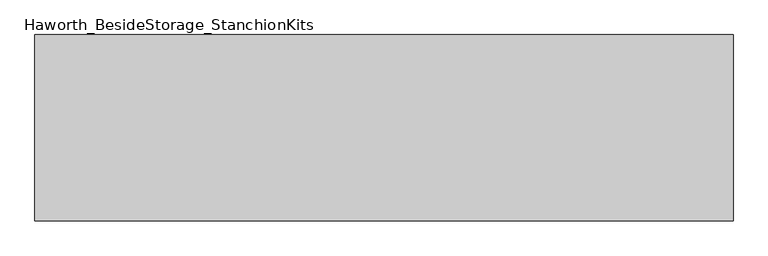
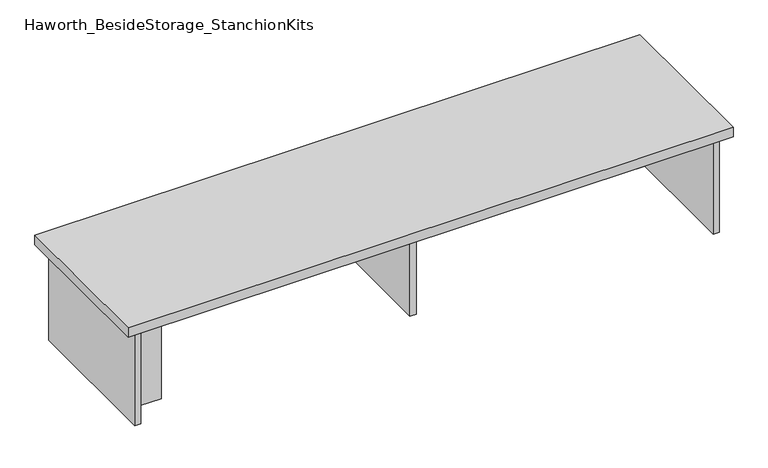
"""IFC4 building model written with IfcOpenShell, lengths in millimetres: furniture geometry, Haworth_BesideStorage_StanchionKits."""

import ifcopenshell
import ifcopenshell.guid

model = None  # the IFC model being written
_history = None  # IfcOwnerHistory: only IFC2X3 demands one
_inside = {}  # id of a spatial element -> (the spatial element, [elements in it])
_under = {}  # id of a project, library or spatial element -> (it, [spatial elements below it])
_declared = {}  # id of a project -> (the project, [libraries it declares])
_typed = {}  # id of a type object -> (the type object, [elements of that type])
_made_of = {}  # id of a material, layer set ... -> (it, [elements and type objects made of it])


def new_model(schema):
    """Start an empty IFC model of exactly this schema.

    Asked for "IFC4X3", IfcOpenShell would pick the latest addendum, in which some entities
    have other attributes; the version numbers below select the first issue.
    IFC2X3 requires an IfcOwnerHistory on every rooted entity: one is made here for all.
    """
    global model, _history
    if schema == "IFC4X3":
        model = ifcopenshell.file(schema_version=(4, 3, 0, 0))
    else:
        model = ifcopenshell.file(schema=schema)
    _inside.clear()
    _under.clear()
    _declared.clear()
    _typed.clear()
    _made_of.clear()
    _history = None
    if model.schema == "IFC2X3":
        org = make("IfcOrganization", Name="unknown")
        user = make(
            "IfcPersonAndOrganization",
            ThePerson=make("IfcPerson", FamilyName="unknown"),
            TheOrganization=org,
        )
        app = make(
            "IfcApplication",
            ApplicationDeveloper=org,
            Version="unknown",
            ApplicationFullName="unknown",
            ApplicationIdentifier="unknown",
        )
        _history = make(
            "IfcOwnerHistory",
            OwningUser=user,
            OwningApplication=app,
            ChangeAction="ADDED",
            CreationDate=0,
        )
    return model


def make(cls, **values):
    """One entity of the class cls with the attributes given. An attribute that is None is left unset."""
    return model.create_entity(
        cls, **{name: value for name, value in values.items() if value is not None}
    )


def rooted(cls, **values):
    """An entity with a GlobalId (a new one), such as an element, a storey or a relation."""
    return make(cls, GlobalId=ifcopenshell.guid.new(), OwnerHistory=_history, **values)


def si_unit(unit_type, name, prefix=None):
    """IfcSIUnit, for example si_unit("LENGTHUNIT", "METRE", prefix="MILLI")."""
    return make("IfcSIUnit", UnitType=unit_type, Prefix=prefix, Name=name)


def assignment(units):
    """IfcUnitAssignment: the units of a project."""
    return None if units is None else make("IfcUnitAssignment", Units=units)


def point(xyz):
    """IfcCartesianPoint."""
    return None if xyz is None else make("IfcCartesianPoint", Coordinates=xyz)


def direction(xyz):
    """IfcDirection."""
    return None if xyz is None else make("IfcDirection", DirectionRatios=xyz)


def frame(location, z_axis=None, x_axis=None):
    """IfcAxis2Placement3D, a coordinate frame: its origin and axes. An axis left out is left unset."""
    return make(
        "IfcAxis2Placement3D",
        Location=point(location),
        Axis=direction(z_axis),
        RefDirection=direction(x_axis),
    )


def origin():
    """The frame at (0, 0, 0) with its axes left unset."""
    return frame((0.0, 0.0, 0.0))


def place(relative_to, where):
    """IfcLocalPlacement: puts the frame where relative to a parent placement (None: the world)."""
    return make(
        "IfcLocalPlacement", PlacementRelTo=relative_to, RelativePlacement=where
    )


def context(
    kind, dimensions, precision=None, world=None, true_north=None, identifier=None
):
    """IfcGeometricRepresentationContext, for example the 3D "Model" context."""
    return make(
        "IfcGeometricRepresentationContext",
        ContextIdentifier=identifier,
        ContextType=kind,
        CoordinateSpaceDimension=dimensions,
        Precision=precision,
        WorldCoordinateSystem=world,
        TrueNorth=true_north,
    )


def project(units=None, contexts=None):
    """IfcProject with its units and contexts."""
    return rooted(
        "IfcProject",
        Name="project",
        RepresentationContexts=contexts,
        UnitsInContext=assignment(units),
    )


def spatial(cls, under=None, at=None, **own):
    """A site, building, storey or space (cls), placed at a placement, below another one or the project."""
    s = rooted(cls, ObjectPlacement=at, **own)
    if under is not None:
        _under.setdefault(under.id(), (under, []))[1].append(s)
    return s


def polyline(points):
    """IfcPolyline through the points."""
    return make("IfcPolyline", Points=[point(p) for p in points])


def outline(outer, holes=None, kind="AREA"):
    """IfcArbitraryClosedProfileDef: a profile drawn as a closed curve; with holes, ...WithVoids."""
    if holes is None:
        return make("IfcArbitraryClosedProfileDef", ProfileType=kind, OuterCurve=outer)
    return make(
        "IfcArbitraryProfileDefWithVoids",
        ProfileType=kind,
        OuterCurve=outer,
        InnerCurves=holes,
    )


def extrude(swept, where, along, depth):
    """IfcExtrudedAreaSolid: the profile swept, set in the frame where, extruded along a direction by depth."""
    return make(
        "IfcExtrudedAreaSolid",
        SweptArea=swept,
        Position=where,
        ExtrudedDirection=direction(along),
        Depth=depth,
    )


def shape(context_of_items, identifier, shape_type, items):
    """IfcShapeRepresentation: the items that make up one representation, for example the "Body"."""
    return make(
        "IfcShapeRepresentation",
        ContextOfItems=context_of_items,
        RepresentationIdentifier=identifier,
        RepresentationType=shape_type,
        Items=items,
    )


def source(mapping_origin, context_of_items, identifier, shape_type, items):
    """IfcRepresentationMap: a shape defined once, which mapped items show again and again."""
    return make(
        "IfcRepresentationMap",
        MappingOrigin=mapping_origin,
        MappedRepresentation=shape(context_of_items, identifier, shape_type, items),
    )


def transform(
    local_origin,
    x_axis=None,
    y_axis=None,
    z_axis=None,
    scale=None,
    scale2=None,
    scale3=None,
    uniform=True,
):
    """IfcCartesianTransformationOperator3D, or its non-uniform kind. x_axis, y_axis, z_axis: its Axis1, 2, 3."""
    if uniform:
        return make(
            "IfcCartesianTransformationOperator3D",
            Axis1=direction(x_axis),
            Axis2=direction(y_axis),
            LocalOrigin=point(local_origin),
            Scale=scale,
            Axis3=direction(z_axis),
        )
    return make(
        "IfcCartesianTransformationOperator3DnonUniform",
        Axis1=direction(x_axis),
        Axis2=direction(y_axis),
        LocalOrigin=point(local_origin),
        Scale=scale,
        Axis3=direction(z_axis),
        Scale2=scale2,
        Scale3=scale3,
    )


def mapped(mapping_source, mapping_target):
    """IfcMappedItem: shows the shape of a source again, moved by a transform."""
    return make(
        "IfcMappedItem", MappingSource=mapping_source, MappingTarget=mapping_target
    )


def made_of(thing, what):
    """Note that an element or type object is made of a material, layer set ...; save() writes the relation."""
    if what is not None:
        _made_of.setdefault(what.id(), (what, []))[1].append(thing)
    return thing


def element(
    cls,
    number,
    at=None,
    inside=None,
    cuts=None,
    type_object=None,
    material=None,
    context=None,
    identifier="Body",
    shape_type=None,
    held_by="IfcProductDefinitionShape",
    body=None,
    shapes=None,
    **own,
):
    """One element of the class cls, such as IfcWall. Its Tag is "e" and its number.

    at: its placement. inside: the storey or other place that contains it. cuts: it is an
    opening in that element (IfcRelVoidsElement). A single representation is given by context,
    identifier, shape_type and body (its items); several are given by shapes. held_by: the class
    of the entity that holds the representations. save() writes the other relations.
    """
    e = rooted(cls, Tag="e%d" % number, ObjectPlacement=at, **own)
    if body is not None:
        shapes = [shape(context, identifier, shape_type, body)]
    if shapes is not None:
        e.Representation = make(held_by, Representations=shapes)
    if inside is not None:
        _inside.setdefault(inside.id(), (inside, []))[1].append(e)
    if cuts is not None:
        rooted(
            "IfcRelVoidsElement", RelatingBuildingElement=cuts, RelatedOpeningElement=e
        )
    if type_object is not None:
        _typed.setdefault(type_object.id(), (type_object, []))[1].append(e)
    return made_of(e, material)


def aggregate(whole, parts):
    """IfcRelAggregates: a whole, such as a stair, and the parts it consists of."""
    return rooted("IfcRelAggregates", RelatingObject=whole, RelatedObjects=parts)


def save(model, path):
    """Write the relations noted so far, then the file.

    IfcRelAggregates (storeys below a building ...), IfcRelContainedInSpatialStructure (elements
    in a storey), IfcRelDefinesByType, IfcRelAssociatesMaterial and IfcRelDeclares: one each for
    every whole, place, type object, material and project.
    """
    for whole, parts in _under.values():
        aggregate(whole, parts)
    for where, things in _inside.values():
        rooted(
            "IfcRelContainedInSpatialStructure",
            RelatedElements=things,
            RelatingStructure=where,
        )
    for kind, things in _typed.values():
        rooted("IfcRelDefinesByType", RelatedObjects=things, RelatingType=kind)
    for what, things in _made_of.values():
        rooted("IfcRelAssociatesMaterial", RelatedObjects=things, RelatingMaterial=what)
    for by, libraries in _declared.values():
        rooted("IfcRelDeclares", RelatingContext=by, RelatedDefinitions=libraries)
    model.write(path)


def haworth_besidestorage_stanchionkits_ae7d551f(model_context):
    return source(origin(), model_context, "Body", "SweptSolid", [
        extrude(outline(polyline([(923.925, 0.0), (923.925, -406.4), (-600.075, -406.4), (-600.075, 0.0), (923.925, 0.0)])), frame((0.0, 0.0, 685.8), z_axis=(0.0, 0.0, 1.0), x_axis=(1.0, 0.0, 0.0)), (0.0, 0.0, 1.0), 25.4),
        extrude(outline(polyline([(796.925, -76.2), (882.65, -76.2), (882.65, -92.075), (796.925, -92.075), (796.925, -76.2)])), frame((0.0, 0.0, 431.8), z_axis=(0.0, 0.0, 1.0), x_axis=(1.0, 0.0, 0.0)), (0.0, 0.0, 1.0), 254.0),
        extrude(outline(polyline([(-473.075, -314.325), (-473.075, -330.2), (-558.8, -330.2), (-558.8, -314.325), (-473.075, -314.325)])), frame((0.0, 0.0, 431.8), z_axis=(0.0, 0.0, 1.0), x_axis=(1.0, 0.0, 0.0)), (0.0, 0.0, 1.0), 254.0),
        extrude(outline(polyline([(169.8625, -330.2), (153.9875, -330.2), (153.9875, -76.2), (169.8625, -76.2), (169.8625, -330.2)])), frame((0.0, 0.0, 431.8), z_axis=(0.0, 0.0, 1.0), x_axis=(1.0, 0.0, 0.0)), (0.0, 0.0, 1.0), 254.0),
        extrude(outline(polyline([(898.525, -390.525), (882.65, -390.525), (882.65, -15.875), (898.525, -15.875), (898.525, -390.525)])), frame((0.0, 0.0, 431.8), z_axis=(0.0, 0.0, 1.0), x_axis=(1.0, 0.0, 0.0)), (0.0, 0.0, 1.0), 254.0),
        extrude(outline(polyline([(-558.8, -390.525), (-574.675, -390.525), (-574.675, -15.875), (-558.8, -15.875), (-558.8, -390.525)])), frame((0.0, 0.0, 431.8), z_axis=(0.0, 0.0, 1.0), x_axis=(1.0, 0.0, 0.0)), (0.0, 0.0, 1.0), 254.0),
    ])


if __name__ == "__main__":
    model = new_model("IFC4")
    model_context = context("Model", 3, world=origin())
    ifc_project = project(units=[si_unit("LENGTHUNIT", "METRE", prefix="MILLI")], contexts=[model_context])
    site = spatial("IfcSite", under=ifc_project)
    building = spatial("IfcBuilding", under=site)
    placement = place(None, origin())
    haworth_besidestorage_stanchionkits_shape = haworth_besidestorage_stanchionkits_ae7d551f(model_context)
    element("IfcFurniture", 1, ObjectType="Haworth_BesideStorage_StanchionKits", at=placement, inside=building, context=model_context, shape_type="MappedRepresentation", body=[
        mapped(haworth_besidestorage_stanchionkits_shape, transform((0.0, 0.0, 0.0), x_axis=(1.0, 0.0, 0.0), y_axis=(0.0, 1.0, 0.0), z_axis=(0.0, 0.0, 1.0))),
    ])
    save(model, "model.ifc")
